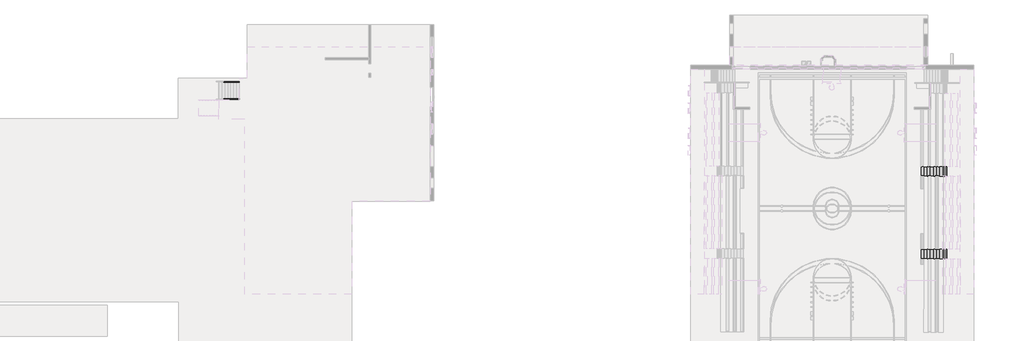
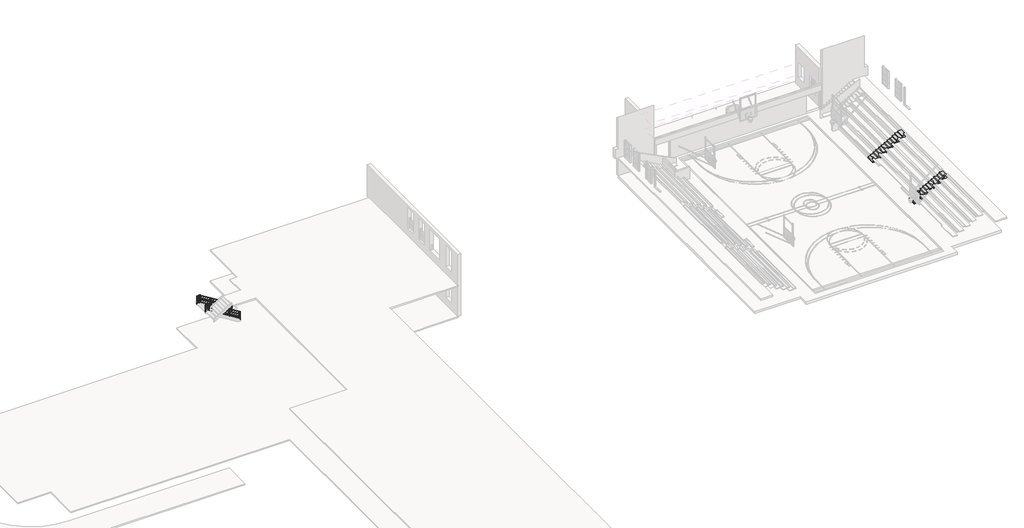
# One storey, part 37 of 38: 2 railings, 2 stair flights.
"""IFC4 building model written with IfcOpenShell, lengths in millimetres."""

from ifc_helpers import new_model, si_unit, point, frame, frame_2d, origin, place, context, project, spatial, circle_curve, ellipse_curve, trimmed, segment, composite_curve, outline, extrude, faceted_brep, element, save
from ifc_brep_helpers import plane_surface, cylinder_surface, advanced_brep

model = new_model("IFC4")

# Units and contexts
model_context = context("Model", 3, world=origin())
ifc_project = project(units=[si_unit("LENGTHUNIT", "METRE", prefix="MILLI")], contexts=[model_context])

# Site, building, storey
site = spatial("IfcSite", under=ifc_project)
building = spatial("IfcBuilding", under=site)
storey = spatial("IfcBuildingStorey", under=building, Elevation=0.0)

# Railings
placement = place(None, origin())
element("IfcRailing", 1, ObjectType="Handrail - Pipe", at=placement, inside=storey, context=model_context, shape_type="SolidModel", body=[
    advanced_brep(
    [(-329120.8422848, 196731.5850981, 1062.6244551), (-329120.8422848, 196693.4850981, 1062.6244551), (-332758.396901, 196731.5850981, 3282.95), (-332758.396901, 196693.4850981, 3282.95), (-333032.4422848, 196731.5850981, 3282.95), (-333032.4422848, 196693.4850981, 3282.95)],
    [
        (0, 1, ellipse_curve(frame((-329120.8422848, 196712.5350981, 1062.6244551), z_axis=(1.0, 0.0, 0.0), x_axis=(0.0, 0.0, -1.0)), 22.3184021, 19.05)),
        (1, 0, ellipse_curve(frame((-329120.8422848, 196712.5350981, 1062.6244551), z_axis=(1.0, 0.0, 0.0), x_axis=(0.0, 0.0, -1.0)), 22.3184021, 19.05)),
        (0, 2),
        (2, 3, ellipse_curve(frame((-332758.396901, 196712.5350981, 3282.95), z_axis=(0.9626930275331743, 0.0, -0.27059588825222514), x_axis=(-0.2705958882522243, 0.0, -0.9626930275331745)), 19.7882393, 19.05)),
        (3, 1),
        (3, 2, ellipse_curve(frame((-332758.396901, 196712.5350981, 3282.95), z_axis=(0.9626930275331743, 0.0, -0.27059588825222514), x_axis=(-0.2705958882522243, 0.0, -0.9626930275331745)), 19.7882393, 19.05)),
        (4, 5, circle_curve(frame((-333032.4422848, 196712.5350981, 3282.95), z_axis=(-1.0, 0.0, 0.0), x_axis=(0.0, -1.0, 0.0)), 19.05)),
        (5, 4, circle_curve(frame((-333032.4422848, 196712.5350981, 3282.95), z_axis=(-1.0, 0.0, 0.0), x_axis=(0.0, -1.0, 0.0)), 19.05)),
        (2, 4),
        (5, 3),
    ],
    [
        plane_surface(frame((-329120.8422848, 196712.5350981, 1084.9428571), z_axis=(1.0, 0.0, 0.0), x_axis=(0.0, -1.0, 0.0))),
        cylinder_surface(frame((-329130.7673643, 196712.5350981, 1068.6826205), z_axis=(0.8535557305219785, 0.0, -0.5210015497991264), x_axis=(0.0, -1.0, 0.0)), 19.05),
        plane_surface(frame((-333032.4422848, 196712.5350981, 3302.0), z_axis=(-1.0, 0.0, 0.0), x_axis=(0.0, -1.0, 0.0))),
        cylinder_surface(frame((-332753.0422848, 196712.5350981, 3282.95), z_axis=(1.0, 0.0, 0.0), x_axis=(0.0, -1.0, 0.0)), 19.05),
    ],
    [
        (0, [[1, 2]]),
        (1, [[-1, 3, 4, 5]]),
        (1, [[-2, -5, 6, -3]]),
        (2, [[7, 8]]),
        (3, [[-4, 9, -8, 10]]),
        (3, [[-6, -10, -7, -9]]),
    ],
),
    advanced_brep(
    [(-329120.8422848, 196725.2350981, 917.6639224), (-329120.8422848, 196699.8350981, 917.6639224), (-332756.6120289, 196699.8350981, 3136.9), (-332756.6120289, 196725.2350981, 3136.9), (-333032.4422848, 196725.2350981, 3136.9), (-333032.4422848, 196699.8350981, 3136.9)],
    [
        (0, 1, ellipse_curve(frame((-329120.8422848, 196712.5350981, 917.6639224), z_axis=(1.0, 0.0, 0.0), x_axis=(0.0, 0.0, -1.0)), 14.8789347, 12.7)),
        (1, 0, ellipse_curve(frame((-329120.8422848, 196712.5350981, 917.6639224), z_axis=(1.0, 0.0, 0.0), x_axis=(0.0, 0.0, -1.0)), 14.8789347, 12.7)),
        (1, 2),
        (2, 3, ellipse_curve(frame((-332756.6120289, 196712.5350981, 3136.9), z_axis=(0.9626930275331743, 0.0, -0.27059588825222514), x_axis=(-0.2705958882522243, 0.0, -0.9626930275331745)), 13.1921595, 12.7)),
        (3, 0),
        (3, 2, ellipse_curve(frame((-332756.6120289, 196712.5350981, 3136.9), z_axis=(0.9626930275331743, 0.0, -0.27059588825222514), x_axis=(-0.2705958882522243, 0.0, -0.9626930275331745)), 13.1921595, 12.7)),
        (4, 5, circle_curve(frame((-333032.4422848, 196712.5350981, 3136.9), z_axis=(-1.0, 0.0, 0.0), x_axis=(0.0, -1.0, 0.0)), 12.7)),
        (5, 4, circle_curve(frame((-333032.4422848, 196712.5350981, 3136.9), z_axis=(-1.0, 0.0, 0.0), x_axis=(0.0, -1.0, 0.0)), 12.7)),
        (2, 5),
        (4, 3),
    ],
    [
        plane_surface(frame((-329120.8422848, 196712.5350981, 932.5428571), z_axis=(1.0, 0.0, 0.0), x_axis=(0.0, -1.0, 0.0))),
        cylinder_surface(frame((-329127.4590045, 196712.5350981, 921.7026994), z_axis=(0.8535557305219785, 0.0, -0.5210015497991264), x_axis=(0.0, -1.0, 0.0)), 12.7),
        plane_surface(frame((-333032.4422848, 196712.5350981, 3149.6), z_axis=(-1.0, 0.0, 0.0), x_axis=(0.0, -1.0, 0.0))),
        cylinder_surface(frame((-332753.0422848, 196712.5350981, 3136.9), z_axis=(1.0, 0.0, 0.0), x_axis=(0.0, -1.0, 0.0)), 12.7),
    ],
    [
        (0, [[1, 2]]),
        (1, [[-2, 3, 4, 5]]),
        (1, [[-1, -5, 6, -3]]),
        (2, [[7, 8]]),
        (3, [[-4, 9, -7, 10]]),
        (3, [[-6, -10, -8, -9]]),
    ],
),
    advanced_brep(
    [(-329120.8422848, 196725.2350981, 765.2639224), (-329120.8422848, 196699.8350981, 765.2639224), (-332756.6120289, 196699.8350981, 2984.5), (-332756.6120289, 196725.2350981, 2984.5), (-333032.4422848, 196725.2350981, 2984.5), (-333032.4422848, 196699.8350981, 2984.5)],
    [
        (0, 1, ellipse_curve(frame((-329120.8422848, 196712.5350981, 765.2639224), z_axis=(1.0, 0.0, 0.0), x_axis=(0.0, 0.0, -1.0)), 14.8789347, 12.7)),
        (1, 0, ellipse_curve(frame((-329120.8422848, 196712.5350981, 765.2639224), z_axis=(1.0, 0.0, 0.0), x_axis=(0.0, 0.0, -1.0)), 14.8789347, 12.7)),
        (1, 2),
        (2, 3, ellipse_curve(frame((-332756.6120289, 196712.5350981, 2984.5), z_axis=(0.9626930275331743, 0.0, -0.27059588825222514), x_axis=(-0.2705958882522243, 0.0, -0.9626930275331745)), 13.1921595, 12.7)),
        (3, 0),
        (3, 2, ellipse_curve(frame((-332756.6120289, 196712.5350981, 2984.5), z_axis=(0.9626930275331743, 0.0, -0.27059588825222514), x_axis=(-0.2705958882522243, 0.0, -0.9626930275331745)), 13.1921595, 12.7)),
        (4, 5, circle_curve(frame((-333032.4422848, 196712.5350981, 2984.5), z_axis=(-1.0, 0.0, 0.0), x_axis=(0.0, -1.0, 0.0)), 12.7)),
        (5, 4, circle_curve(frame((-333032.4422848, 196712.5350981, 2984.5), z_axis=(-1.0, 0.0, 0.0), x_axis=(0.0, -1.0, 0.0)), 12.7)),
        (2, 5),
        (4, 3),
    ],
    [
        plane_surface(frame((-329120.8422848, 196712.5350981, 780.1428571), z_axis=(1.0, 0.0, 0.0), x_axis=(0.0, -1.0, 0.0))),
        cylinder_surface(frame((-329127.4590045, 196712.5350981, 769.3026994), z_axis=(0.8535557305219785, 0.0, -0.5210015497991264), x_axis=(0.0, -1.0, 0.0)), 12.7),
        plane_surface(frame((-333032.4422848, 196712.5350981, 2997.2), z_axis=(-1.0, 0.0, 0.0), x_axis=(0.0, -1.0, 0.0))),
        cylinder_surface(frame((-332753.0422848, 196712.5350981, 2984.5), z_axis=(1.0, 0.0, 0.0), x_axis=(0.0, -1.0, 0.0)), 12.7),
    ],
    [
        (0, [[1, 2]]),
        (1, [[-2, 3, 4, 5]]),
        (1, [[-1, -5, 6, -3]]),
        (2, [[7, 8]]),
        (3, [[-4, 9, -7, 10]]),
        (3, [[-6, -10, -8, -9]]),
    ],
),
    advanced_brep(
    [(-329120.8422848, 196725.2350981, 612.8639224), (-329120.8422848, 196699.8350981, 612.8639224), (-332756.6120289, 196699.8350981, 2832.1), (-332756.6120289, 196725.2350981, 2832.1), (-333032.4422848, 196725.2350981, 2832.1), (-333032.4422848, 196699.8350981, 2832.1)],
    [
        (0, 1, ellipse_curve(frame((-329120.8422848, 196712.5350981, 612.8639224), z_axis=(1.0, 0.0, 0.0), x_axis=(0.0, 0.0, -1.0)), 14.8789347, 12.7)),
        (1, 0, ellipse_curve(frame((-329120.8422848, 196712.5350981, 612.8639224), z_axis=(1.0, 0.0, 0.0), x_axis=(0.0, 0.0, -1.0)), 14.8789347, 12.7)),
        (1, 2),
        (2, 3, ellipse_curve(frame((-332756.6120289, 196712.5350981, 2832.1), z_axis=(0.9626930275331743, 0.0, -0.27059588825222514), x_axis=(-0.2705958882522243, 0.0, -0.9626930275331745)), 13.1921595, 12.7)),
        (3, 0),
        (3, 2, ellipse_curve(frame((-332756.6120289, 196712.5350981, 2832.1), z_axis=(0.9626930275331743, 0.0, -0.27059588825222514), x_axis=(-0.2705958882522243, 0.0, -0.9626930275331745)), 13.1921595, 12.7)),
        (4, 5, circle_curve(frame((-333032.4422848, 196712.5350981, 2832.1), z_axis=(-1.0, 0.0, 0.0), x_axis=(0.0, -1.0, 0.0)), 12.7)),
        (5, 4, circle_curve(frame((-333032.4422848, 196712.5350981, 2832.1), z_axis=(-1.0, 0.0, 0.0), x_axis=(0.0, -1.0, 0.0)), 12.7)),
        (2, 5),
        (4, 3),
    ],
    [
        plane_surface(frame((-329120.8422848, 196712.5350981, 627.7428571), z_axis=(1.0, 0.0, 0.0), x_axis=(0.0, -1.0, 0.0))),
        cylinder_surface(frame((-329127.4590045, 196712.5350981, 616.9026994), z_axis=(0.8535557305219785, 0.0, -0.5210015497991264), x_axis=(0.0, -1.0, 0.0)), 12.7),
        plane_surface(frame((-333032.4422848, 196712.5350981, 2844.8), z_axis=(-1.0, 0.0, 0.0), x_axis=(0.0, -1.0, 0.0))),
        cylinder_surface(frame((-332753.0422848, 196712.5350981, 2832.1), z_axis=(1.0, 0.0, 0.0), x_axis=(0.0, -1.0, 0.0)), 12.7),
    ],
    [
        (0, [[1, 2]]),
        (1, [[-2, 3, 4, 5]]),
        (1, [[-1, -5, 6, -3]]),
        (2, [[7, 8]]),
        (3, [[-4, 9, -7, 10]]),
        (3, [[-6, -10, -8, -9]]),
    ],
),
    advanced_brep(
    [(-329120.8422848, 196725.2350981, 460.4639224), (-329120.8422848, 196699.8350981, 460.4639224), (-332756.6120289, 196699.8350981, 2679.7), (-332756.6120289, 196725.2350981, 2679.7), (-333032.4422848, 196725.2350981, 2679.7), (-333032.4422848, 196699.8350981, 2679.7)],
    [
        (0, 1, ellipse_curve(frame((-329120.8422848, 196712.5350981, 460.4639224), z_axis=(1.0, 0.0, 0.0), x_axis=(0.0, 0.0, -1.0)), 14.8789347, 12.7)),
        (1, 0, ellipse_curve(frame((-329120.8422848, 196712.5350981, 460.4639224), z_axis=(1.0, 0.0, 0.0), x_axis=(0.0, 0.0, -1.0)), 14.8789347, 12.7)),
        (1, 2),
        (2, 3, ellipse_curve(frame((-332756.6120289, 196712.5350981, 2679.7), z_axis=(0.9626930275331743, 0.0, -0.27059588825222514), x_axis=(-0.2705958882522243, 0.0, -0.9626930275331745)), 13.1921595, 12.7)),
        (3, 0),
        (3, 2, ellipse_curve(frame((-332756.6120289, 196712.5350981, 2679.7), z_axis=(0.9626930275331743, 0.0, -0.27059588825222514), x_axis=(-0.2705958882522243, 0.0, -0.9626930275331745)), 13.1921595, 12.7)),
        (4, 5, circle_curve(frame((-333032.4422848, 196712.5350981, 2679.7), z_axis=(-1.0, 0.0, 0.0), x_axis=(0.0, -1.0, 0.0)), 12.7)),
        (5, 4, circle_curve(frame((-333032.4422848, 196712.5350981, 2679.7), z_axis=(-1.0, 0.0, 0.0), x_axis=(0.0, -1.0, 0.0)), 12.7)),
        (2, 5),
        (4, 3),
    ],
    [
        plane_surface(frame((-329120.8422848, 196712.5350981, 475.3428571), z_axis=(1.0, 0.0, 0.0), x_axis=(0.0, -1.0, 0.0))),
        cylinder_surface(frame((-329127.4590045, 196712.5350981, 464.5026994), z_axis=(0.8535557305219785, 0.0, -0.5210015497991264), x_axis=(0.0, -1.0, 0.0)), 12.7),
        plane_surface(frame((-333032.4422848, 196712.5350981, 2692.4), z_axis=(-1.0, 0.0, 0.0), x_axis=(0.0, -1.0, 0.0))),
        cylinder_surface(frame((-332753.0422848, 196712.5350981, 2679.7), z_axis=(1.0, 0.0, 0.0), x_axis=(0.0, -1.0, 0.0)), 12.7),
    ],
    [
        (0, [[1, 2]]),
        (1, [[-2, 3, 4, 5]]),
        (1, [[-1, -5, 6, -3]]),
        (2, [[7, 8]]),
        (3, [[-4, 9, -7, 10]]),
        (3, [[-6, -10, -8, -9]]),
    ],
),
    advanced_brep(
    [(-329120.8422848, 196725.2350981, 308.0639224), (-329120.8422848, 196699.8350981, 308.0639224), (-332756.6120289, 196699.8350981, 2527.3), (-332756.6120289, 196725.2350981, 2527.3), (-333032.4422848, 196725.2350981, 2527.3), (-333032.4422848, 196699.8350981, 2527.3)],
    [
        (0, 1, ellipse_curve(frame((-329120.8422848, 196712.5350981, 308.0639224), z_axis=(1.0, 0.0, 0.0), x_axis=(0.0, 0.0, -1.0)), 14.8789347, 12.7)),
        (1, 0, ellipse_curve(frame((-329120.8422848, 196712.5350981, 308.0639224), z_axis=(1.0, 0.0, 0.0), x_axis=(0.0, 0.0, -1.0)), 14.8789347, 12.7)),
        (1, 2),
        (2, 3, ellipse_curve(frame((-332756.6120289, 196712.5350981, 2527.3), z_axis=(0.9626930275331743, 0.0, -0.27059588825222514), x_axis=(-0.2705958882522243, 0.0, -0.9626930275331745)), 13.1921595, 12.7)),
        (3, 0),
        (3, 2, ellipse_curve(frame((-332756.6120289, 196712.5350981, 2527.3), z_axis=(0.9626930275331743, 0.0, -0.27059588825222514), x_axis=(-0.2705958882522243, 0.0, -0.9626930275331745)), 13.1921595, 12.7)),
        (4, 5, circle_curve(frame((-333032.4422848, 196712.5350981, 2527.3), z_axis=(-1.0, 0.0, 0.0), x_axis=(0.0, -1.0, 0.0)), 12.7)),
        (5, 4, circle_curve(frame((-333032.4422848, 196712.5350981, 2527.3), z_axis=(-1.0, 0.0, 0.0), x_axis=(0.0, -1.0, 0.0)), 12.7)),
        (2, 5),
        (4, 3),
    ],
    [
        plane_surface(frame((-329120.8422848, 196712.5350981, 322.9428571), z_axis=(1.0, 0.0, 0.0), x_axis=(0.0, -1.0, 0.0))),
        cylinder_surface(frame((-329127.4590045, 196712.5350981, 312.1026994), z_axis=(0.8535557305219785, 0.0, -0.5210015497991264), x_axis=(0.0, -1.0, 0.0)), 12.7),
        plane_surface(frame((-333032.4422848, 196712.5350981, 2540.0), z_axis=(-1.0, 0.0, 0.0), x_axis=(0.0, -1.0, 0.0))),
        cylinder_surface(frame((-332753.0422848, 196712.5350981, 2527.3), z_axis=(1.0, 0.0, 0.0), x_axis=(0.0, -1.0, 0.0)), 12.7),
    ],
    [
        (0, [[1, 2]]),
        (1, [[-2, 3, 4, 5]]),
        (1, [[-1, -5, 6, -3]]),
        (2, [[7, 8]]),
        (3, [[-4, 9, -7, 10]]),
        (3, [[-6, -10, -8, -9]]),
    ],
),
    extrude(outline(composite_curve([segment(trimmed(circle_curve(frame_2d((-332778.4422848, 196712.5350981)), 12.7), [point((-332778.4422848, 196725.2350981))], [point((-332778.4422848, 196699.8350981))], False, "CARTESIAN"), True, "CONTINUOUS"), segment(trimmed(circle_curve(frame_2d((-332778.4422848, 196712.5350981)), 12.7), [point((-332778.4422848, 196699.8350981))], [point((-332778.4422848, 196725.2350981))], False, "CARTESIAN"), True, "CONTINUOUS")], self_intersect=False)), frame((0.0, 0.0, 2387.6), z_axis=(0.0, 0.0, 1.0), x_axis=(1.0, 0.0, 0.0)), (0.0, 0.0, 1.0), 876.3),
    advanced_brep(
    [(-331559.2422848, 196699.8350981, 2528.6800789), (-331559.2422848, 196725.2350981, 2528.6800789), (-331559.2422848, 196725.2350981, 1534.8857143), (-331559.2422848, 196699.8350981, 1534.8857143)],
    [
        (0, 1, ellipse_curve(frame((-331559.2422848, 196712.5350981, 2528.6800789), z_axis=(-0.5210015497991245, 0.0, -0.8535557305219797), x_axis=(-0.8535557305219797, 0.0, 0.5210015497991244)), 14.8789347, 12.7)),
        (1, 2),
        (2, 3, circle_curve(frame((-331559.2422848, 196712.5350981, 1534.8857143), z_axis=(0.0, 0.0, 1.0), x_axis=(0.0, 1.0, 0.0)), 12.7)),
        (3, 0),
        (3, 2, circle_curve(frame((-331559.2422848, 196712.5350981, 1534.8857143), z_axis=(0.0, 0.0, 1.0), x_axis=(0.0, 1.0, 0.0)), 12.7)),
        (1, 0, ellipse_curve(frame((-331559.2422848, 196712.5350981, 2528.6800789), z_axis=(-0.5210015497991245, 0.0, -0.8535557305219797), x_axis=(-0.8535557305219797, 0.0, 0.5210015497991244)), 14.8789347, 12.7)),
    ],
    [
        cylinder_surface(frame((-331559.2422848, 196712.5350981, 1306.2857143), z_axis=(0.0, 0.0, 1.0), x_axis=(0.0, 1.0, 0.0)), 12.7),
        plane_surface(frame((-331584.6422848, 196737.9350981, 2544.183975), z_axis=(0.5210015497991245, 0.0, 0.8535557305219797), x_axis=(0.0, -1.0, 0.0))),
        plane_surface(frame((-331533.8422848, 196737.9350981, 1534.8857143), z_axis=(0.0, 0.0, -1.0), x_axis=(0.0, -1.0, 0.0))),
    ],
    [
        (0, [[1, 2, 3, 4]]),
        (0, [[5, -2, 6, -4]]),
        (1, [[-6, -1]]),
        (2, [[-5, -3]]),
    ],
),
    advanced_brep(
    [(-330340.0422848, 196699.8350981, 1784.4930659), (-330340.0422848, 196725.2350981, 1784.4930659), (-330340.0422848, 196725.2350981, 852.7142857), (-330340.0422848, 196699.8350981, 852.7142857)],
    [
        (0, 1, ellipse_curve(frame((-330340.0422848, 196712.5350981, 1784.4930659), z_axis=(-0.5210015497991245, 0.0, -0.8535557305219797), x_axis=(-0.8535557305219797, 0.0, 0.5210015497991244)), 14.8789347, 12.7)),
        (1, 2),
        (2, 3, circle_curve(frame((-330340.0422848, 196712.5350981, 852.7142857), z_axis=(0.0, 0.0, 1.0), x_axis=(0.0, 1.0, 0.0)), 12.7)),
        (3, 0),
        (3, 2, circle_curve(frame((-330340.0422848, 196712.5350981, 852.7142857), z_axis=(0.0, 0.0, 1.0), x_axis=(0.0, 1.0, 0.0)), 12.7)),
        (1, 0, ellipse_curve(frame((-330340.0422848, 196712.5350981, 1784.4930659), z_axis=(-0.5210015497991245, 0.0, -0.8535557305219797), x_axis=(-0.8535557305219797, 0.0, 0.5210015497991244)), 14.8789347, 12.7)),
    ],
    [
        cylinder_surface(frame((-330340.0422848, 196712.5350981, 624.1142857), z_axis=(0.0, 0.0, 1.0), x_axis=(0.0, 1.0, 0.0)), 12.7),
        plane_surface(frame((-330365.4422848, 196737.9350981, 1799.9969621), z_axis=(0.5210015497991245, 0.0, 0.8535557305219797), x_axis=(0.0, -1.0, 0.0))),
        plane_surface(frame((-330314.6422848, 196737.9350981, 852.7142857), z_axis=(0.0, 0.0, -1.0), x_axis=(0.0, -1.0, 0.0))),
    ],
    [
        (0, [[1, 2, 3, 4]]),
        (0, [[5, -2, 6, -4]]),
        (1, [[-6, -1]]),
        (2, [[-5, -3]]),
    ],
),
    extrude(outline(composite_curve([segment(trimmed(circle_curve(frame_2d((-333019.7422848, 196712.5350981)), 12.7), [point((-333019.7422848, 196725.2350981))], [point((-333019.7422848, 196699.8350981))], False, "CARTESIAN"), True, "CONTINUOUS"), segment(trimmed(circle_curve(frame_2d((-333019.7422848, 196712.5350981)), 12.7), [point((-333019.7422848, 196699.8350981))], [point((-333019.7422848, 196725.2350981))], False, "CARTESIAN"), True, "CONTINUOUS")], self_intersect=False)), frame((0.0, 0.0, 2387.6), z_axis=(0.0, 0.0, 1.0), x_axis=(1.0, 0.0, 0.0)), (0.0, 0.0, 1.0), 876.3),
    advanced_brep(
    [(-329133.5422848, 196699.8350981, 1048.058001), (-329133.5422848, 196725.2350981, 1048.058001), (-329133.5422848, 196725.2350981, 170.5428571), (-329133.5422848, 196699.8350981, 170.5428571)],
    [
        (0, 1, ellipse_curve(frame((-329133.5422848, 196712.5350981, 1048.058001), z_axis=(-0.5210015497991245, 0.0, -0.8535557305219797), x_axis=(-0.8535557305219797, 0.0, 0.5210015497991244)), 14.8789347, 12.7)),
        (1, 2),
        (2, 3, circle_curve(frame((-329133.5422848, 196712.5350981, 170.5428571), z_axis=(0.0, 0.0, 1.0), x_axis=(0.0, 1.0, 0.0)), 12.7)),
        (3, 0),
        (3, 2, circle_curve(frame((-329133.5422848, 196712.5350981, 170.5428571), z_axis=(0.0, 0.0, 1.0), x_axis=(0.0, 1.0, 0.0)), 12.7)),
        (1, 0, ellipse_curve(frame((-329133.5422848, 196712.5350981, 1048.058001), z_axis=(-0.5210015497991245, 0.0, -0.8535557305219797), x_axis=(-0.8535557305219797, 0.0, 0.5210015497991244)), 14.8789347, 12.7)),
    ],
    [
        cylinder_surface(frame((-329133.5422848, 196712.5350981, -58.0571429), z_axis=(0.0, 0.0, 1.0), x_axis=(0.0, 1.0, 0.0)), 12.7),
        plane_surface(frame((-329158.9422848, 196737.9350981, 1063.5618971), z_axis=(0.5210015497991245, 0.0, 0.8535557305219797), x_axis=(0.0, -1.0, 0.0))),
        plane_surface(frame((-329108.1422848, 196737.9350981, 170.5428571), z_axis=(0.0, 0.0, -1.0), x_axis=(0.0, -1.0, 0.0))),
    ],
    [
        (0, [[1, 2, 3, 4]]),
        (0, [[5, -2, 6, -4]]),
        (1, [[-6, -1]]),
        (2, [[-5, -3]]),
    ],
),
])
element("IfcRailing", 2, ObjectType="Handrail - Pipe", at=placement, inside=storey, context=model_context, shape_type="SolidModel", body=[
    advanced_brep(
    [(-329120.8422848, 198357.1850981, 1062.6244551), (-329120.8422848, 198319.0850981, 1062.6244551), (-332758.396901, 198357.1850981, 3282.95), (-332758.396901, 198319.0850981, 3282.95), (-333032.4422848, 198357.1850981, 3282.95), (-333032.4422848, 198319.0850981, 3282.95)],
    [
        (0, 1, ellipse_curve(frame((-329120.8422848, 198338.1350981, 1062.6244551), z_axis=(1.0, 0.0, 0.0), x_axis=(0.0, 0.0, -1.0)), 22.3184021, 19.05)),
        (1, 0, ellipse_curve(frame((-329120.8422848, 198338.1350981, 1062.6244551), z_axis=(1.0, 0.0, 0.0), x_axis=(0.0, 0.0, -1.0)), 22.3184021, 19.05)),
        (0, 2),
        (2, 3, ellipse_curve(frame((-332758.396901, 198338.1350981, 3282.95), z_axis=(0.9626930275331743, 0.0, -0.27059588825222514), x_axis=(-0.2705958882522243, 0.0, -0.9626930275331745)), 19.7882393, 19.05)),
        (3, 1),
        (3, 2, ellipse_curve(frame((-332758.396901, 198338.1350981, 3282.95), z_axis=(0.9626930275331743, 0.0, -0.27059588825222514), x_axis=(-0.2705958882522243, 0.0, -0.9626930275331745)), 19.7882393, 19.05)),
        (4, 5, circle_curve(frame((-333032.4422848, 198338.1350981, 3282.95), z_axis=(-1.0, 0.0, 0.0), x_axis=(0.0, -1.0, 0.0)), 19.05)),
        (5, 4, circle_curve(frame((-333032.4422848, 198338.1350981, 3282.95), z_axis=(-1.0, 0.0, 0.0), x_axis=(0.0, -1.0, 0.0)), 19.05)),
        (2, 4),
        (5, 3),
    ],
    [
        plane_surface(frame((-329120.8422848, 198338.1350981, 1084.9428571), z_axis=(1.0, 0.0, 0.0), x_axis=(0.0, -1.0, 0.0))),
        cylinder_surface(frame((-329130.7673643, 198338.1350981, 1068.6826205), z_axis=(0.8535557305219785, 0.0, -0.5210015497991264), x_axis=(0.0, -1.0, 0.0)), 19.05),
        plane_surface(frame((-333032.4422848, 198338.1350981, 3302.0), z_axis=(-1.0, 0.0, 0.0), x_axis=(0.0, -1.0, 0.0))),
        cylinder_surface(frame((-332753.0422848, 198338.1350981, 3282.95), z_axis=(1.0, 0.0, 0.0), x_axis=(0.0, -1.0, 0.0)), 19.05),
    ],
    [
        (0, [[1, 2]]),
        (1, [[-1, 3, 4, 5]]),
        (1, [[-2, -5, 6, -3]]),
        (2, [[7, 8]]),
        (3, [[-4, 9, -8, 10]]),
        (3, [[-6, -10, -7, -9]]),
    ],
),
    advanced_brep(
    [(-329120.8422848, 198325.4350981, 917.6639224), (-329120.8422848, 198350.8350981, 917.6639224), (-332756.6120289, 198350.8350981, 3136.9), (-332756.6120289, 198325.4350981, 3136.9), (-333032.4422848, 198325.4350981, 3136.9), (-333032.4422848, 198350.8350981, 3136.9)],
    [
        (0, 1, ellipse_curve(frame((-329120.8422848, 198338.1350981, 917.6639224), z_axis=(1.0, 0.0, 0.0), x_axis=(0.0, 0.0, -1.0)), 14.8789347, 12.7)),
        (1, 0, ellipse_curve(frame((-329120.8422848, 198338.1350981, 917.6639224), z_axis=(1.0, 0.0, 0.0), x_axis=(0.0, 0.0, -1.0)), 14.8789347, 12.7)),
        (1, 2),
        (2, 3, ellipse_curve(frame((-332756.6120289, 198338.1350981, 3136.9), z_axis=(0.9626930275331743, 0.0, -0.27059588825222514), x_axis=(-0.2705958882522243, 0.0, -0.9626930275331745)), 13.1921595, 12.7)),
        (3, 0),
        (3, 2, ellipse_curve(frame((-332756.6120289, 198338.1350981, 3136.9), z_axis=(0.9626930275331743, 0.0, -0.27059588825222514), x_axis=(-0.2705958882522243, 0.0, -0.9626930275331745)), 13.1921595, 12.7)),
        (4, 5, circle_curve(frame((-333032.4422848, 198338.1350981, 3136.9), z_axis=(-1.0, 0.0, 0.0), x_axis=(0.0, 1.0, 0.0)), 12.7)),
        (5, 4, circle_curve(frame((-333032.4422848, 198338.1350981, 3136.9), z_axis=(-1.0, 0.0, 0.0), x_axis=(0.0, 1.0, 0.0)), 12.7)),
        (2, 5),
        (4, 3),
    ],
    [
        plane_surface(frame((-329120.8422848, 198338.1350981, 932.5428571), z_axis=(1.0, 0.0, 0.0), x_axis=(0.0, -1.0, 0.0))),
        cylinder_surface(frame((-329127.4590045, 198338.1350981, 921.7026994), z_axis=(0.8535557305219785, 0.0, -0.5210015497991264), x_axis=(0.0, 1.0, 0.0)), 12.7),
        plane_surface(frame((-333032.4422848, 198338.1350981, 3149.6), z_axis=(-1.0, 0.0, 0.0), x_axis=(0.0, -1.0, 0.0))),
        cylinder_surface(frame((-332753.0422848, 198338.1350981, 3136.9), z_axis=(1.0, 0.0, 0.0), x_axis=(0.0, 1.0, 0.0)), 12.7),
    ],
    [
        (0, [[1, 2]]),
        (1, [[-2, 3, 4, 5]]),
        (1, [[-1, -5, 6, -3]]),
        (2, [[7, 8]]),
        (3, [[-4, 9, -7, 10]]),
        (3, [[-6, -10, -8, -9]]),
    ],
),
    advanced_brep(
    [(-329120.8422848, 198325.4350981, 765.2639224), (-329120.8422848, 198350.8350981, 765.2639224), (-332756.6120289, 198350.8350981, 2984.5), (-332756.6120289, 198325.4350981, 2984.5), (-333032.4422848, 198325.4350981, 2984.5), (-333032.4422848, 198350.8350981, 2984.5)],
    [
        (0, 1, ellipse_curve(frame((-329120.8422848, 198338.1350981, 765.2639224), z_axis=(1.0, 0.0, 0.0), x_axis=(0.0, 0.0, -1.0)), 14.8789347, 12.7)),
        (1, 0, ellipse_curve(frame((-329120.8422848, 198338.1350981, 765.2639224), z_axis=(1.0, 0.0, 0.0), x_axis=(0.0, 0.0, -1.0)), 14.8789347, 12.7)),
        (1, 2),
        (2, 3, ellipse_curve(frame((-332756.6120289, 198338.1350981, 2984.5), z_axis=(0.9626930275331743, 0.0, -0.27059588825222514), x_axis=(-0.2705958882522243, 0.0, -0.9626930275331745)), 13.1921595, 12.7)),
        (3, 0),
        (3, 2, ellipse_curve(frame((-332756.6120289, 198338.1350981, 2984.5), z_axis=(0.9626930275331743, 0.0, -0.27059588825222514), x_axis=(-0.2705958882522243, 0.0, -0.9626930275331745)), 13.1921595, 12.7)),
        (4, 5, circle_curve(frame((-333032.4422848, 198338.1350981, 2984.5), z_axis=(-1.0, 0.0, 0.0), x_axis=(0.0, 1.0, 0.0)), 12.7)),
        (5, 4, circle_curve(frame((-333032.4422848, 198338.1350981, 2984.5), z_axis=(-1.0, 0.0, 0.0), x_axis=(0.0, 1.0, 0.0)), 12.7)),
        (2, 5),
        (4, 3),
    ],
    [
        plane_surface(frame((-329120.8422848, 198338.1350981, 780.1428571), z_axis=(1.0, 0.0, 0.0), x_axis=(0.0, -1.0, 0.0))),
        cylinder_surface(frame((-329127.4590045, 198338.1350981, 769.3026994), z_axis=(0.8535557305219785, 0.0, -0.5210015497991264), x_axis=(0.0, 1.0, 0.0)), 12.7),
        plane_surface(frame((-333032.4422848, 198338.1350981, 2997.2), z_axis=(-1.0, 0.0, 0.0), x_axis=(0.0, -1.0, 0.0))),
        cylinder_surface(frame((-332753.0422848, 198338.1350981, 2984.5), z_axis=(1.0, 0.0, 0.0), x_axis=(0.0, 1.0, 0.0)), 12.7),
    ],
    [
        (0, [[1, 2]]),
        (1, [[-2, 3, 4, 5]]),
        (1, [[-1, -5, 6, -3]]),
        (2, [[7, 8]]),
        (3, [[-4, 9, -7, 10]]),
        (3, [[-6, -10, -8, -9]]),
    ],
),
    advanced_brep(
    [(-329120.8422848, 198325.4350981, 612.8639224), (-329120.8422848, 198350.8350981, 612.8639224), (-332756.6120289, 198350.8350981, 2832.1), (-332756.6120289, 198325.4350981, 2832.1), (-333032.4422848, 198325.4350981, 2832.1), (-333032.4422848, 198350.8350981, 2832.1)],
    [
        (0, 1, ellipse_curve(frame((-329120.8422848, 198338.1350981, 612.8639224), z_axis=(1.0, 0.0, 0.0), x_axis=(0.0, 0.0, -1.0)), 14.8789347, 12.7)),
        (1, 0, ellipse_curve(frame((-329120.8422848, 198338.1350981, 612.8639224), z_axis=(1.0, 0.0, 0.0), x_axis=(0.0, 0.0, -1.0)), 14.8789347, 12.7)),
        (1, 2),
        (2, 3, ellipse_curve(frame((-332756.6120289, 198338.1350981, 2832.1), z_axis=(0.9626930275331743, 0.0, -0.27059588825222514), x_axis=(-0.2705958882522243, 0.0, -0.9626930275331745)), 13.1921595, 12.7)),
        (3, 0),
        (3, 2, ellipse_curve(frame((-332756.6120289, 198338.1350981, 2832.1), z_axis=(0.9626930275331743, 0.0, -0.27059588825222514), x_axis=(-0.2705958882522243, 0.0, -0.9626930275331745)), 13.1921595, 12.7)),
        (4, 5, circle_curve(frame((-333032.4422848, 198338.1350981, 2832.1), z_axis=(-1.0, 0.0, 0.0), x_axis=(0.0, 1.0, 0.0)), 12.7)),
        (5, 4, circle_curve(frame((-333032.4422848, 198338.1350981, 2832.1), z_axis=(-1.0, 0.0, 0.0), x_axis=(0.0, 1.0, 0.0)), 12.7)),
        (2, 5),
        (4, 3),
    ],
    [
        plane_surface(frame((-329120.8422848, 198338.1350981, 627.7428571), z_axis=(1.0, 0.0, 0.0), x_axis=(0.0, -1.0, 0.0))),
        cylinder_surface(frame((-329127.4590045, 198338.1350981, 616.9026994), z_axis=(0.8535557305219785, 0.0, -0.5210015497991264), x_axis=(0.0, 1.0, 0.0)), 12.7),
        plane_surface(frame((-333032.4422848, 198338.1350981, 2844.8), z_axis=(-1.0, 0.0, 0.0), x_axis=(0.0, -1.0, 0.0))),
        cylinder_surface(frame((-332753.0422848, 198338.1350981, 2832.1), z_axis=(1.0, 0.0, 0.0), x_axis=(0.0, 1.0, 0.0)), 12.7),
    ],
    [
        (0, [[1, 2]]),
        (1, [[-2, 3, 4, 5]]),
        (1, [[-1, -5, 6, -3]]),
        (2, [[7, 8]]),
        (3, [[-4, 9, -7, 10]]),
        (3, [[-6, -10, -8, -9]]),
    ],
),
    advanced_brep(
    [(-329120.8422848, 198325.4350981, 460.4639224), (-329120.8422848, 198350.8350981, 460.4639224), (-332756.6120289, 198350.8350981, 2679.7), (-332756.6120289, 198325.4350981, 2679.7), (-333032.4422848, 198325.4350981, 2679.7), (-333032.4422848, 198350.8350981, 2679.7)],
    [
        (0, 1, ellipse_curve(frame((-329120.8422848, 198338.1350981, 460.4639224), z_axis=(1.0, 0.0, 0.0), x_axis=(0.0, 0.0, -1.0)), 14.8789347, 12.7)),
        (1, 0, ellipse_curve(frame((-329120.8422848, 198338.1350981, 460.4639224), z_axis=(1.0, 0.0, 0.0), x_axis=(0.0, 0.0, -1.0)), 14.8789347, 12.7)),
        (1, 2),
        (2, 3, ellipse_curve(frame((-332756.6120289, 198338.1350981, 2679.7), z_axis=(0.9626930275331743, 0.0, -0.27059588825222514), x_axis=(-0.2705958882522243, 0.0, -0.9626930275331745)), 13.1921595, 12.7)),
        (3, 0),
        (3, 2, ellipse_curve(frame((-332756.6120289, 198338.1350981, 2679.7), z_axis=(0.9626930275331743, 0.0, -0.27059588825222514), x_axis=(-0.2705958882522243, 0.0, -0.9626930275331745)), 13.1921595, 12.7)),
        (4, 5, circle_curve(frame((-333032.4422848, 198338.1350981, 2679.7), z_axis=(-1.0, 0.0, 0.0), x_axis=(0.0, 1.0, 0.0)), 12.7)),
        (5, 4, circle_curve(frame((-333032.4422848, 198338.1350981, 2679.7), z_axis=(-1.0, 0.0, 0.0), x_axis=(0.0, 1.0, 0.0)), 12.7)),
        (2, 5),
        (4, 3),
    ],
    [
        plane_surface(frame((-329120.8422848, 198338.1350981, 475.3428571), z_axis=(1.0, 0.0, 0.0), x_axis=(0.0, -1.0, 0.0))),
        cylinder_surface(frame((-329127.4590045, 198338.1350981, 464.5026994), z_axis=(0.8535557305219785, 0.0, -0.5210015497991264), x_axis=(0.0, 1.0, 0.0)), 12.7),
        plane_surface(frame((-333032.4422848, 198338.1350981, 2692.4), z_axis=(-1.0, 0.0, 0.0), x_axis=(0.0, -1.0, 0.0))),
        cylinder_surface(frame((-332753.0422848, 198338.1350981, 2679.7), z_axis=(1.0, 0.0, 0.0), x_axis=(0.0, 1.0, 0.0)), 12.7),
    ],
    [
        (0, [[1, 2]]),
        (1, [[-2, 3, 4, 5]]),
        (1, [[-1, -5, 6, -3]]),
        (2, [[7, 8]]),
        (3, [[-4, 9, -7, 10]]),
        (3, [[-6, -10, -8, -9]]),
    ],
),
    advanced_brep(
    [(-329120.8422848, 198325.4350981, 308.0639224), (-329120.8422848, 198350.8350981, 308.0639224), (-332756.6120289, 198350.8350981, 2527.3), (-332756.6120289, 198325.4350981, 2527.3), (-333032.4422848, 198325.4350981, 2527.3), (-333032.4422848, 198350.8350981, 2527.3)],
    [
        (0, 1, ellipse_curve(frame((-329120.8422848, 198338.1350981, 308.0639224), z_axis=(1.0, 0.0, 0.0), x_axis=(0.0, 0.0, -1.0)), 14.8789347, 12.7)),
        (1, 0, ellipse_curve(frame((-329120.8422848, 198338.1350981, 308.0639224), z_axis=(1.0, 0.0, 0.0), x_axis=(0.0, 0.0, -1.0)), 14.8789347, 12.7)),
        (1, 2),
        (2, 3, ellipse_curve(frame((-332756.6120289, 198338.1350981, 2527.3), z_axis=(0.9626930275331743, 0.0, -0.27059588825222514), x_axis=(-0.2705958882522243, 0.0, -0.9626930275331745)), 13.1921595, 12.7)),
        (3, 0),
        (3, 2, ellipse_curve(frame((-332756.6120289, 198338.1350981, 2527.3), z_axis=(0.9626930275331743, 0.0, -0.27059588825222514), x_axis=(-0.2705958882522243, 0.0, -0.9626930275331745)), 13.1921595, 12.7)),
        (4, 5, circle_curve(frame((-333032.4422848, 198338.1350981, 2527.3), z_axis=(-1.0, 0.0, 0.0), x_axis=(0.0, 1.0, 0.0)), 12.7)),
        (5, 4, circle_curve(frame((-333032.4422848, 198338.1350981, 2527.3), z_axis=(-1.0, 0.0, 0.0), x_axis=(0.0, 1.0, 0.0)), 12.7)),
        (2, 5),
        (4, 3),
    ],
    [
        plane_surface(frame((-329120.8422848, 198338.1350981, 322.9428571), z_axis=(1.0, 0.0, 0.0), x_axis=(0.0, -1.0, 0.0))),
        cylinder_surface(frame((-329127.4590045, 198338.1350981, 312.1026994), z_axis=(0.8535557305219785, 0.0, -0.5210015497991264), x_axis=(0.0, 1.0, 0.0)), 12.7),
        plane_surface(frame((-333032.4422848, 198338.1350981, 2540.0), z_axis=(-1.0, 0.0, 0.0), x_axis=(0.0, -1.0, 0.0))),
        cylinder_surface(frame((-332753.0422848, 198338.1350981, 2527.3), z_axis=(1.0, 0.0, 0.0), x_axis=(0.0, 1.0, 0.0)), 12.7),
    ],
    [
        (0, [[1, 2]]),
        (1, [[-2, 3, 4, 5]]),
        (1, [[-1, -5, 6, -3]]),
        (2, [[7, 8]]),
        (3, [[-4, 9, -7, 10]]),
        (3, [[-6, -10, -8, -9]]),
    ],
),
    extrude(outline(composite_curve([segment(trimmed(circle_curve(frame_2d((-332778.4422848, 198338.1350981)), 12.7), [point((-332778.4422848, 198325.4350981))], [point((-332778.4422848, 198350.8350981))], False, "CARTESIAN"), True, "CONTINUOUS"), segment(trimmed(circle_curve(frame_2d((-332778.4422848, 198338.1350981)), 12.7), [point((-332778.4422848, 198350.8350981))], [point((-332778.4422848, 198325.4350981))], False, "CARTESIAN"), True, "CONTINUOUS")], self_intersect=False)), frame((0.0, 0.0, 2387.6), z_axis=(0.0, 0.0, 1.0), x_axis=(1.0, 0.0, 0.0)), (0.0, 0.0, 1.0), 876.3),
    advanced_brep(
    [(-331559.2422848, 198350.8350981, 2528.6800789), (-331559.2422848, 198350.8350981, 1534.8857143), (-331559.2422848, 198325.4350981, 1534.8857143), (-331559.2422848, 198325.4350981, 2528.6800789)],
    [
        (0, 1),
        (1, 2, circle_curve(frame((-331559.2422848, 198338.1350981, 1534.8857143), z_axis=(0.0, 0.0, 1.0), x_axis=(0.0, -1.0, 0.0)), 12.7)),
        (2, 3),
        (3, 0, ellipse_curve(frame((-331559.2422848, 198338.1350981, 2528.6800789), z_axis=(-0.5210015497991245, 0.0, -0.8535557305219797), x_axis=(-0.8535557305219797, 0.0, 0.5210015497991244)), 14.8789347, 12.7)),
        (0, 3, ellipse_curve(frame((-331559.2422848, 198338.1350981, 2528.6800789), z_axis=(-0.5210015497991245, 0.0, -0.8535557305219797), x_axis=(-0.8535557305219797, 0.0, 0.5210015497991244)), 14.8789347, 12.7)),
        (2, 1, circle_curve(frame((-331559.2422848, 198338.1350981, 1534.8857143), z_axis=(0.0, 0.0, 1.0), x_axis=(0.0, -1.0, 0.0)), 12.7)),
    ],
    [
        cylinder_surface(frame((-331559.2422848, 198338.1350981, 1306.2857143), z_axis=(0.0, 0.0, 1.0), x_axis=(0.0, -1.0, 0.0)), 12.7),
        plane_surface(frame((-331584.6422848, 198312.7350981, 2544.183975), z_axis=(0.5210015497991245, 0.0, 0.8535557305219797), x_axis=(0.0, 1.0, 0.0))),
        plane_surface(frame((-331533.8422848, 198312.7350981, 1534.8857143), z_axis=(0.0, 0.0, -1.0), x_axis=(0.0, 1.0, 0.0))),
    ],
    [
        (0, [[1, 2, 3, 4]]),
        (0, [[-1, 5, -3, 6]]),
        (1, [[-4, -5]]),
        (2, [[-2, -6]]),
    ],
),
    advanced_brep(
    [(-330340.0422848, 198350.8350981, 1784.4930659), (-330340.0422848, 198350.8350981, 852.7142857), (-330340.0422848, 198325.4350981, 852.7142857), (-330340.0422848, 198325.4350981, 1784.4930659)],
    [
        (0, 1),
        (1, 2, circle_curve(frame((-330340.0422848, 198338.1350981, 852.7142857), z_axis=(0.0, 0.0, 1.0), x_axis=(0.0, -1.0, 0.0)), 12.7)),
        (2, 3),
        (3, 0, ellipse_curve(frame((-330340.0422848, 198338.1350981, 1784.4930659), z_axis=(-0.5210015497991245, 0.0, -0.8535557305219797), x_axis=(-0.8535557305219797, 0.0, 0.5210015497991244)), 14.8789347, 12.7)),
        (0, 3, ellipse_curve(frame((-330340.0422848, 198338.1350981, 1784.4930659), z_axis=(-0.5210015497991245, 0.0, -0.8535557305219797), x_axis=(-0.8535557305219797, 0.0, 0.5210015497991244)), 14.8789347, 12.7)),
        (2, 1, circle_curve(frame((-330340.0422848, 198338.1350981, 852.7142857), z_axis=(0.0, 0.0, 1.0), x_axis=(0.0, -1.0, 0.0)), 12.7)),
    ],
    [
        cylinder_surface(frame((-330340.0422848, 198338.1350981, 624.1142857), z_axis=(0.0, 0.0, 1.0), x_axis=(0.0, -1.0, 0.0)), 12.7),
        plane_surface(frame((-330365.4422848, 198312.7350981, 1799.9969621), z_axis=(0.5210015497991245, 0.0, 0.8535557305219797), x_axis=(0.0, 1.0, 0.0))),
        plane_surface(frame((-330314.6422848, 198312.7350981, 852.7142857), z_axis=(0.0, 0.0, -1.0), x_axis=(0.0, 1.0, 0.0))),
    ],
    [
        (0, [[1, 2, 3, 4]]),
        (0, [[-1, 5, -3, 6]]),
        (1, [[-4, -5]]),
        (2, [[-2, -6]]),
    ],
),
    extrude(outline(composite_curve([segment(trimmed(circle_curve(frame_2d((-333019.7422848, 198338.1350981)), 12.7), [point((-333019.7422848, 198325.4350981))], [point((-333019.7422848, 198350.8350981))], False, "CARTESIAN"), True, "CONTINUOUS"), segment(trimmed(circle_curve(frame_2d((-333019.7422848, 198338.1350981)), 12.7), [point((-333019.7422848, 198350.8350981))], [point((-333019.7422848, 198325.4350981))], False, "CARTESIAN"), True, "CONTINUOUS")], self_intersect=False)), frame((0.0, 0.0, 2387.6), z_axis=(0.0, 0.0, 1.0), x_axis=(1.0, 0.0, 0.0)), (0.0, 0.0, 1.0), 876.3),
    advanced_brep(
    [(-329133.5422848, 198350.8350981, 1048.058001), (-329133.5422848, 198350.8350981, 170.5428571), (-329133.5422848, 198325.4350981, 170.5428571), (-329133.5422848, 198325.4350981, 1048.058001)],
    [
        (0, 1),
        (1, 2, circle_curve(frame((-329133.5422848, 198338.1350981, 170.5428571), z_axis=(0.0, 0.0, 1.0), x_axis=(0.0, -1.0, 0.0)), 12.7)),
        (2, 3),
        (3, 0, ellipse_curve(frame((-329133.5422848, 198338.1350981, 1048.058001), z_axis=(-0.5210015497991245, 0.0, -0.8535557305219797), x_axis=(-0.8535557305219797, 0.0, 0.5210015497991244)), 14.8789347, 12.7)),
        (0, 3, ellipse_curve(frame((-329133.5422848, 198338.1350981, 1048.058001), z_axis=(-0.5210015497991245, 0.0, -0.8535557305219797), x_axis=(-0.8535557305219797, 0.0, 0.5210015497991244)), 14.8789347, 12.7)),
        (2, 1, circle_curve(frame((-329133.5422848, 198338.1350981, 170.5428571), z_axis=(0.0, 0.0, 1.0), x_axis=(0.0, -1.0, 0.0)), 12.7)),
    ],
    [
        cylinder_surface(frame((-329133.5422848, 198338.1350981, -58.0571429), z_axis=(0.0, 0.0, 1.0), x_axis=(0.0, -1.0, 0.0)), 12.7),
        plane_surface(frame((-329158.9422848, 198312.7350981, 1063.5618971), z_axis=(0.5210015497991245, 0.0, 0.8535557305219797), x_axis=(0.0, 1.0, 0.0))),
        plane_surface(frame((-329108.1422848, 198312.7350981, 170.5428571), z_axis=(0.0, 0.0, -1.0), x_axis=(0.0, 1.0, 0.0))),
    ],
    [
        (0, [[1, 2, 3, 4]]),
        (0, [[-1, 5, -3, 6]]),
        (1, [[-4, -5]]),
        (2, [[-2, -6]]),
    ],
),
])

# Stair flights
element("IfcStairFlight", 3, ObjectType="3/4\" Nosing 6 1/2\" Depth", at=placement, inside=storey, context=model_context, shape_type="Brep", body=[
    faceted_brep([(-263070.6567903, 189240.67983, 169.9846154), (-263070.6567903, 190155.07983, 169.9846154), (-263051.6067903, 190155.07983, 0.0), (-263051.6067903, 189240.67983, 0.0), (-262746.8067903, 189240.67983, 169.9846154), (-262746.8067903, 190155.07983, 169.9846154), (-262746.8067903, 190155.07983, 0.0), (-262746.8067903, 189240.67983, 0.0), (-262765.8567903, 190155.07983, 339.9692308), (-262765.8567903, 189240.67983, 339.9692308), (-262442.0067903, 189240.67983, 339.9692308), (-262442.0067903, 190155.07983, 339.9692308), (-262442.0067903, 190155.07983, 150.9300401), (-262712.6399655, 190155.07983, 0.0), (-262712.6399655, 189240.67983, 0.0), (-262442.0067903, 189240.67983, 150.9300401), (-262461.0567903, 190155.07983, 509.9538462), (-262461.0567903, 189240.67983, 509.9538462), (-262137.2067903, 189240.67983, 509.9538462), (-262137.2067903, 190155.07983, 509.9538462), (-262137.2067903, 190155.07983, 320.9146554), (-262137.2067903, 189240.67983, 320.9146554), (-262156.2567903, 190155.07983, 679.9384615), (-262156.2567903, 189240.67983, 679.9384615), (-261832.4067903, 189240.67983, 679.9384615), (-261832.4067903, 190155.07983, 679.9384615), (-261832.4067903, 190155.07983, 490.8992708), (-261832.4067903, 189240.67983, 490.8992708), (-261851.4567903, 190155.07983, 849.9230769), (-261851.4567903, 189240.67983, 849.9230769), (-261527.6067903, 189240.67983, 849.9230769), (-261527.6067903, 190155.07983, 849.9230769), (-261527.6067903, 190155.07983, 660.8838862), (-261527.6067903, 189240.67983, 660.8838862), (-261546.6567903, 190155.07983, 1019.9076923), (-261546.6567903, 189240.67983, 1019.9076923), (-261222.8067903, 189240.67983, 1019.9076923), (-261222.8067903, 190155.07983, 1019.9076923), (-261222.8067903, 190155.07983, 830.8685016), (-261222.8067903, 189240.67983, 830.8685016), (-261241.8567903, 190155.07983, 1189.8923077), (-261241.8567903, 189240.67983, 1189.8923077), (-260918.0067903, 189240.67983, 1189.8923077), (-260918.0067903, 190155.07983, 1189.8923077), (-260918.0067903, 190155.07983, 1000.853117), (-260918.0067903, 189240.67983, 1000.853117), (-260937.0567903, 190155.07983, 1359.8769231), (-260937.0567903, 189240.67983, 1359.8769231), (-260613.2067903, 189240.67983, 1359.8769231), (-260613.2067903, 190155.07983, 1359.8769231), (-260613.2067903, 190155.07983, 1170.8377324), (-260613.2067903, 189240.67983, 1170.8377324), (-260632.2567903, 190155.07983, 1529.8615385), (-260632.2567903, 189240.67983, 1529.8615385), (-260308.4067903, 189240.67983, 1529.8615385), (-260308.4067903, 190155.07983, 1529.8615385), (-260308.4067903, 190155.07983, 1340.8223477), (-260308.4067903, 189240.67983, 1340.8223477), (-260327.4567903, 190155.07983, 1699.8461538), (-260327.4567903, 189240.67983, 1699.8461538), (-260003.6067903, 189240.67983, 1699.8461538), (-260003.6067903, 190155.07983, 1699.8461538), (-260003.6067903, 190155.07983, 1510.8069631), (-260003.6067903, 189240.67983, 1510.8069631), (-260022.6567903, 190155.07983, 1869.8307692), (-260022.6567903, 189240.67983, 1869.8307692), (-259698.8067903, 189240.67983, 1869.8307692), (-259698.8067903, 190155.07983, 1869.8307692), (-259698.8067903, 190155.07983, 1680.7915785), (-259698.8067903, 189240.67983, 1680.7915785), (-259717.8567903, 190155.07983, 2039.8153846), (-259717.8567903, 189240.67983, 2039.8153846), (-259311.4567903, 189240.67983, 2039.8153846), (-259311.4567903, 190155.07983, 2039.8153846), (-259311.4567903, 190155.07983, 1938.2153846), (-259413.0567903, 190155.07983, 1938.2153846), (-259413.0567903, 190155.07983, 1840.1521554), (-259413.0567903, 189240.67983, 1840.1521554), (-259413.0567903, 189240.67983, 1938.2153846), (-259311.4567903, 189240.67983, 1938.2153846)], [[[0, 1, 2, 3]], [[1, 0, 4, 5]], [[1, 5, 6, 2]], [[4, 0, 3, 7]], [[8, 9, 10, 11]], [[6, 5, 8, 11, 12, 13]], [[4, 7, 14, 15, 10, 9]], [[5, 4, 9, 8]], [[16, 17, 18, 19]], [[16, 19, 20, 12, 11]], [[18, 17, 10, 15, 21]], [[11, 10, 17, 16]], [[22, 23, 24, 25]], [[22, 25, 26, 20, 19]], [[24, 23, 18, 21, 27]], [[19, 18, 23, 22]], [[28, 29, 30, 31]], [[28, 31, 32, 26, 25]], [[30, 29, 24, 27, 33]], [[25, 24, 29, 28]], [[34, 35, 36, 37]], [[34, 37, 38, 32, 31]], [[36, 35, 30, 33, 39]], [[31, 30, 35, 34]], [[40, 41, 42, 43]], [[40, 43, 44, 38, 37]], [[42, 41, 36, 39, 45]], [[37, 36, 41, 40]], [[46, 47, 48, 49]], [[46, 49, 50, 44, 43]], [[48, 47, 42, 45, 51]], [[43, 42, 47, 46]], [[52, 53, 54, 55]], [[52, 55, 56, 50, 49]], [[54, 53, 48, 51, 57]], [[49, 48, 53, 52]], [[58, 59, 60, 61]], [[58, 61, 62, 56, 55]], [[60, 59, 54, 57, 63]], [[55, 54, 59, 58]], [[64, 65, 66, 67]], [[64, 67, 68, 62, 61]], [[66, 65, 60, 63, 69]], [[61, 60, 65, 64]], [[70, 71, 72, 73]], [[70, 73, 74, 75, 76, 68, 67]], [[72, 71, 66, 69, 77, 78, 79]], [[77, 76, 75, 78]], [[67, 66, 71, 70]], [[2, 6, 13, 14, 7, 3]], [[14, 13, 12, 20, 26, 32, 38, 44, 50, 56, 62, 68, 76, 77, 69, 63, 57, 51, 45, 39, 33, 27, 21, 15]], [[79, 78, 75, 74]], [[79, 74, 73, 72]]]),
])
element("IfcStairFlight", 4, ObjectType="3/4\" Nosing 6 1/2\" Depth", at=placement, inside=storey, context=model_context, shape_type="Brep", body=[
    faceted_brep([(-263070.6567903, 181232.3484174, 169.9846154), (-263070.6567903, 182146.7484174, 169.9846154), (-263051.6067903, 182146.7484174, 0.0), (-263051.6067903, 181232.3484174, 0.0), (-262746.8067903, 181232.3484174, 169.9846154), (-262746.8067903, 182146.7484174, 169.9846154), (-262746.8067903, 182146.7484174, 0.0), (-262746.8067903, 181232.3484174, 0.0), (-262765.8567903, 182146.7484174, 339.9692308), (-262765.8567903, 181232.3484174, 339.9692308), (-262442.0067903, 181232.3484174, 339.9692308), (-262442.0067903, 182146.7484174, 339.9692308), (-262442.0067903, 182146.7484174, 150.9300401), (-262712.6399655, 182146.7484174, 0.0), (-262712.6399655, 181232.3484174, 0.0), (-262442.0067903, 181232.3484174, 150.9300401), (-262461.0567903, 182146.7484174, 509.9538462), (-262461.0567903, 181232.3484174, 509.9538462), (-262137.2067903, 181232.3484174, 509.9538462), (-262137.2067903, 182146.7484174, 509.9538462), (-262137.2067903, 182146.7484174, 320.9146554), (-262137.2067903, 181232.3484174, 320.9146554), (-262156.2567903, 182146.7484174, 679.9384615), (-262156.2567903, 181232.3484174, 679.9384615), (-261832.4067903, 181232.3484174, 679.9384615), (-261832.4067903, 182146.7484174, 679.9384615), (-261832.4067903, 182146.7484174, 490.8992708), (-261832.4067903, 181232.3484174, 490.8992708), (-261851.4567903, 182146.7484174, 849.9230769), (-261851.4567903, 181232.3484174, 849.9230769), (-261527.6067903, 181232.3484174, 849.9230769), (-261527.6067903, 182146.7484174, 849.9230769), (-261527.6067903, 182146.7484174, 660.8838862), (-261527.6067903, 181232.3484174, 660.8838862), (-261546.6567903, 182146.7484174, 1019.9076923), (-261546.6567903, 181232.3484174, 1019.9076923), (-261222.8067903, 181232.3484174, 1019.9076923), (-261222.8067903, 182146.7484174, 1019.9076923), (-261222.8067903, 182146.7484174, 830.8685016), (-261222.8067903, 181232.3484174, 830.8685016), (-261241.8567903, 182146.7484174, 1189.8923077), (-261241.8567903, 181232.3484174, 1189.8923077), (-260918.0067903, 181232.3484174, 1189.8923077), (-260918.0067903, 182146.7484174, 1189.8923077), (-260918.0067903, 182146.7484174, 1000.853117), (-260918.0067903, 181232.3484174, 1000.853117), (-260937.0567903, 182146.7484174, 1359.8769231), (-260937.0567903, 181232.3484174, 1359.8769231), (-260613.2067903, 181232.3484174, 1359.8769231), (-260613.2067903, 182146.7484174, 1359.8769231), (-260613.2067903, 182146.7484174, 1170.8377324), (-260613.2067903, 181232.3484174, 1170.8377324), (-260632.2567903, 182146.7484174, 1529.8615385), (-260632.2567903, 181232.3484174, 1529.8615385), (-260308.4067903, 181232.3484174, 1529.8615385), (-260308.4067903, 182146.7484174, 1529.8615385), (-260308.4067903, 182146.7484174, 1340.8223477), (-260308.4067903, 181232.3484174, 1340.8223477), (-260327.4567903, 182146.7484174, 1699.8461538), (-260327.4567903, 181232.3484174, 1699.8461538), (-260003.6067903, 181232.3484174, 1699.8461538), (-260003.6067903, 182146.7484174, 1699.8461538), (-260003.6067903, 182146.7484174, 1510.8069631), (-260003.6067903, 181232.3484174, 1510.8069631), (-260022.6567903, 182146.7484174, 1869.8307692), (-260022.6567903, 181232.3484174, 1869.8307692), (-259698.8067903, 181232.3484174, 1869.8307692), (-259698.8067903, 182146.7484174, 1869.8307692), (-259698.8067903, 182146.7484174, 1680.7915785), (-259698.8067903, 181232.3484174, 1680.7915785), (-259717.8567903, 182146.7484174, 2039.8153846), (-259717.8567903, 181232.3484174, 2039.8153846), (-259311.4567903, 181232.3484174, 2039.8153846), (-259311.4567903, 182146.7484174, 2039.8153846), (-259311.4567903, 182146.7484174, 1938.2153846), (-259413.0567903, 182146.7484174, 1938.2153846), (-259413.0567903, 182146.7484174, 1840.1521554), (-259413.0567903, 181232.3484174, 1840.1521554), (-259413.0567903, 181232.3484174, 1938.2153846), (-259311.4567903, 181232.3484174, 1938.2153846)], [[[0, 1, 2, 3]], [[1, 0, 4, 5]], [[1, 5, 6, 2]], [[4, 0, 3, 7]], [[8, 9, 10, 11]], [[6, 5, 8, 11, 12, 13]], [[4, 7, 14, 15, 10, 9]], [[5, 4, 9, 8]], [[16, 17, 18, 19]], [[16, 19, 20, 12, 11]], [[18, 17, 10, 15, 21]], [[11, 10, 17, 16]], [[22, 23, 24, 25]], [[22, 25, 26, 20, 19]], [[24, 23, 18, 21, 27]], [[19, 18, 23, 22]], [[28, 29, 30, 31]], [[28, 31, 32, 26, 25]], [[30, 29, 24, 27, 33]], [[25, 24, 29, 28]], [[34, 35, 36, 37]], [[34, 37, 38, 32, 31]], [[36, 35, 30, 33, 39]], [[31, 30, 35, 34]], [[40, 41, 42, 43]], [[40, 43, 44, 38, 37]], [[42, 41, 36, 39, 45]], [[37, 36, 41, 40]], [[46, 47, 48, 49]], [[46, 49, 50, 44, 43]], [[48, 47, 42, 45, 51]], [[43, 42, 47, 46]], [[52, 53, 54, 55]], [[52, 55, 56, 50, 49]], [[54, 53, 48, 51, 57]], [[49, 48, 53, 52]], [[58, 59, 60, 61]], [[58, 61, 62, 56, 55]], [[60, 59, 54, 57, 63]], [[55, 54, 59, 58]], [[64, 65, 66, 67]], [[64, 67, 68, 62, 61]], [[66, 65, 60, 63, 69]], [[61, 60, 65, 64]], [[70, 71, 72, 73]], [[70, 73, 74, 75, 76, 68, 67]], [[72, 71, 66, 69, 77, 78, 79]], [[77, 76, 75, 78]], [[67, 66, 71, 70]], [[2, 6, 13, 14, 7, 3]], [[14, 13, 12, 20, 26, 32, 38, 44, 50, 56, 62, 68, 76, 77, 69, 63, 57, 51, 45, 39, 33, 27, 21, 15]], [[79, 78, 75, 74]], [[79, 74, 73, 72]]]),
])

save(model, "model.ifc")
